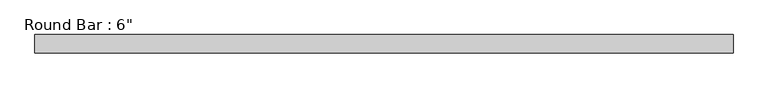
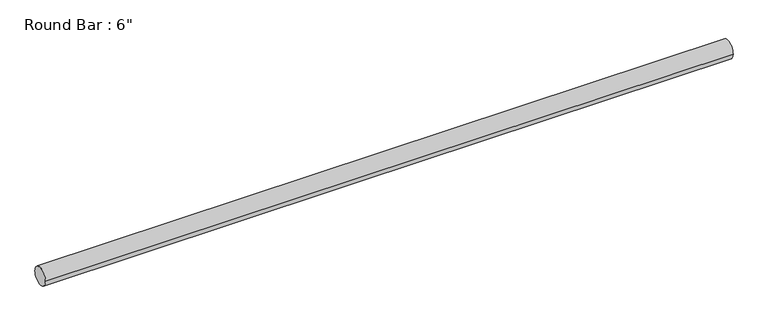
"""IFC4 building model written with IfcOpenShell, lengths in millimetres: beam geometry."""

from ifc_helpers import new_model, si_unit, point, frame, origin, origin_2d, place, context, project, spatial, circle_curve, trimmed, segment, composite_curve, outline, extrude, source, transform, mapped, element, save


def beam_096a1859(model_context):
    return source(origin(), model_context, "Body", "SweptSolid", [
        extrude(outline(composite_curve([segment(trimmed(circle_curve(origin_2d(), 76.2), [point((76.2, 0.0))], [point((-76.2, 0.0))], False, "CARTESIAN"), True, "CONTINUOUS"), segment(trimmed(circle_curve(origin_2d(), 76.2), [point((-76.2, 0.0))], [point((76.2, 0.0))], False, "CARTESIAN"), True, "CONTINUOUS")], self_intersect=False)), frame((-2862.0711351, 0.0, 0.0), z_axis=(1.0, 0.0, 0.0), x_axis=(0.0, 1.0, 0.0)), (0.0, 0.0, 1.0), 5724.1422702),
    ])


if __name__ == "__main__":
    model = new_model("IFC4")
    model_context = context("Model", 3, world=origin())
    ifc_project = project(units=[si_unit("LENGTHUNIT", "METRE", prefix="MILLI")], contexts=[model_context])
    site = spatial("IfcSite", under=ifc_project)
    building = spatial("IfcBuilding", under=site)
    placement = place(None, origin())
    beam_shape = beam_096a1859(model_context)
    element("IfcBeam", 1, ObjectType="Round Bar : 6\"", at=placement, inside=building, context=model_context, shape_type="MappedRepresentation", body=[
        mapped(beam_shape, transform((0.0, 0.0, 0.0), x_axis=(1.0, 0.0, 0.0), y_axis=(0.0, 1.0, 0.0), z_axis=(0.0, 0.0, 1.0))),
    ])
    save(model, "model.ifc")
